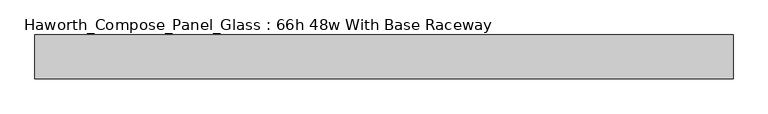
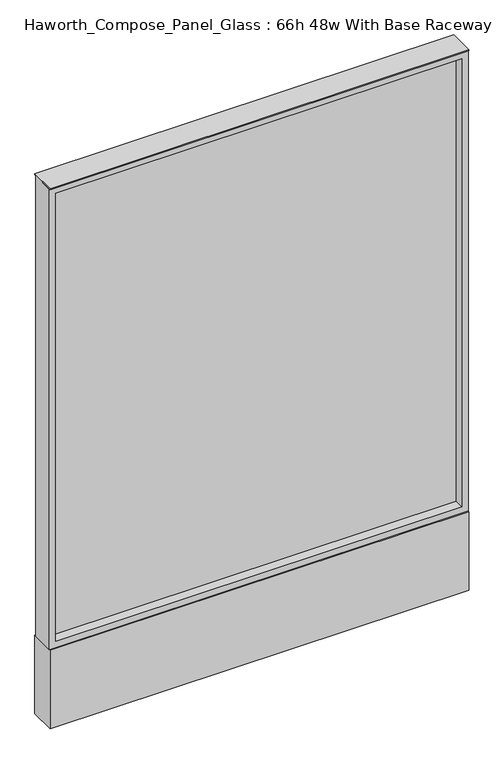
"""IFC4 building model written with IfcOpenShell, lengths in millimetres: furniture geometry, Haworth_Compose_Panel_Glass : 66h 48w With Base Raceway."""

import ifcopenshell
import ifcopenshell.guid

model = None  # the IFC model being written
_history = None  # IfcOwnerHistory: only IFC2X3 demands one
_inside = {}  # id of a spatial element -> (the spatial element, [elements in it])
_under = {}  # id of a project, library or spatial element -> (it, [spatial elements below it])
_declared = {}  # id of a project -> (the project, [libraries it declares])
_typed = {}  # id of a type object -> (the type object, [elements of that type])
_made_of = {}  # id of a material, layer set ... -> (it, [elements and type objects made of it])


def new_model(schema):
    """Start an empty IFC model of exactly this schema.

    Asked for "IFC4X3", IfcOpenShell would pick the latest addendum, in which some entities
    have other attributes; the version numbers below select the first issue.
    IFC2X3 requires an IfcOwnerHistory on every rooted entity: one is made here for all.
    """
    global model, _history
    if schema == "IFC4X3":
        model = ifcopenshell.file(schema_version=(4, 3, 0, 0))
    else:
        model = ifcopenshell.file(schema=schema)
    _inside.clear()
    _under.clear()
    _declared.clear()
    _typed.clear()
    _made_of.clear()
    _history = None
    if model.schema == "IFC2X3":
        org = make("IfcOrganization", Name="unknown")
        user = make(
            "IfcPersonAndOrganization",
            ThePerson=make("IfcPerson", FamilyName="unknown"),
            TheOrganization=org,
        )
        app = make(
            "IfcApplication",
            ApplicationDeveloper=org,
            Version="unknown",
            ApplicationFullName="unknown",
            ApplicationIdentifier="unknown",
        )
        _history = make(
            "IfcOwnerHistory",
            OwningUser=user,
            OwningApplication=app,
            ChangeAction="ADDED",
            CreationDate=0,
        )
    return model


def make(cls, **values):
    """One entity of the class cls with the attributes given. An attribute that is None is left unset."""
    return model.create_entity(
        cls, **{name: value for name, value in values.items() if value is not None}
    )


def rooted(cls, **values):
    """An entity with a GlobalId (a new one), such as an element, a storey or a relation."""
    return make(cls, GlobalId=ifcopenshell.guid.new(), OwnerHistory=_history, **values)


def si_unit(unit_type, name, prefix=None):
    """IfcSIUnit, for example si_unit("LENGTHUNIT", "METRE", prefix="MILLI")."""
    return make("IfcSIUnit", UnitType=unit_type, Prefix=prefix, Name=name)


def assignment(units):
    """IfcUnitAssignment: the units of a project."""
    return None if units is None else make("IfcUnitAssignment", Units=units)


def point(xyz):
    """IfcCartesianPoint."""
    return None if xyz is None else make("IfcCartesianPoint", Coordinates=xyz)


def direction(xyz):
    """IfcDirection."""
    return None if xyz is None else make("IfcDirection", DirectionRatios=xyz)


def frame(location, z_axis=None, x_axis=None):
    """IfcAxis2Placement3D, a coordinate frame: its origin and axes. An axis left out is left unset."""
    return make(
        "IfcAxis2Placement3D",
        Location=point(location),
        Axis=direction(z_axis),
        RefDirection=direction(x_axis),
    )


def frame_2d(location, x_axis=None):
    """IfcAxis2Placement2D, a coordinate frame in the plane: its origin and x axis."""
    return make(
        "IfcAxis2Placement2D", Location=point(location), RefDirection=direction(x_axis)
    )


def origin():
    """The frame at (0, 0, 0) with its axes left unset."""
    return frame((0.0, 0.0, 0.0))


def origin_with_axes():
    """The frame at (0, 0, 0) with the z axis (0, 0, 1) and the x axis (1, 0, 0) written out."""
    return frame((0.0, 0.0, 0.0), z_axis=(0.0, 0.0, 1.0), x_axis=(1.0, 0.0, 0.0))


def place(relative_to, where):
    """IfcLocalPlacement: puts the frame where relative to a parent placement (None: the world)."""
    return make(
        "IfcLocalPlacement", PlacementRelTo=relative_to, RelativePlacement=where
    )


def context(
    kind, dimensions, precision=None, world=None, true_north=None, identifier=None
):
    """IfcGeometricRepresentationContext, for example the 3D "Model" context."""
    return make(
        "IfcGeometricRepresentationContext",
        ContextIdentifier=identifier,
        ContextType=kind,
        CoordinateSpaceDimension=dimensions,
        Precision=precision,
        WorldCoordinateSystem=world,
        TrueNorth=true_north,
    )


def project(units=None, contexts=None):
    """IfcProject with its units and contexts."""
    return rooted(
        "IfcProject",
        Name="project",
        RepresentationContexts=contexts,
        UnitsInContext=assignment(units),
    )


def spatial(cls, under=None, at=None, **own):
    """A site, building, storey or space (cls), placed at a placement, below another one or the project."""
    s = rooted(cls, ObjectPlacement=at, **own)
    if under is not None:
        _under.setdefault(under.id(), (under, []))[1].append(s)
    return s


def polyline(points):
    """IfcPolyline through the points."""
    return make("IfcPolyline", Points=[point(p) for p in points])


def circle_curve(where, radius):
    """IfcCircle in the frame where."""
    return make("IfcCircle", Position=where, Radius=radius)


def trimmed(basis, trim1, trim2, sense, master):
    """IfcTrimmedCurve: the piece of a basis curve between two trims."""
    return make(
        "IfcTrimmedCurve",
        BasisCurve=basis,
        Trim1=trim1,
        Trim2=trim2,
        SenseAgreement=sense,
        MasterRepresentation=master,
    )


def segment(curve, same_sense, transition):
    """IfcCompositeCurveSegment."""
    return make(
        "IfcCompositeCurveSegment",
        Transition=transition,
        SameSense=same_sense,
        ParentCurve=curve,
    )


def composite_curve(segments, self_intersect=None):
    """IfcCompositeCurve: segments joined end to end."""
    return make("IfcCompositeCurve", Segments=segments, SelfIntersect=self_intersect)


def outline(outer, holes=None, kind="AREA"):
    """IfcArbitraryClosedProfileDef: a profile drawn as a closed curve; with holes, ...WithVoids."""
    if holes is None:
        return make("IfcArbitraryClosedProfileDef", ProfileType=kind, OuterCurve=outer)
    return make(
        "IfcArbitraryProfileDefWithVoids",
        ProfileType=kind,
        OuterCurve=outer,
        InnerCurves=holes,
    )


def extrude(swept, where, along, depth):
    """IfcExtrudedAreaSolid: the profile swept, set in the frame where, extruded along a direction by depth."""
    return make(
        "IfcExtrudedAreaSolid",
        SweptArea=swept,
        Position=where,
        ExtrudedDirection=direction(along),
        Depth=depth,
    )


def shape(context_of_items, identifier, shape_type, items):
    """IfcShapeRepresentation: the items that make up one representation, for example the "Body"."""
    return make(
        "IfcShapeRepresentation",
        ContextOfItems=context_of_items,
        RepresentationIdentifier=identifier,
        RepresentationType=shape_type,
        Items=items,
    )


def source(mapping_origin, context_of_items, identifier, shape_type, items):
    """IfcRepresentationMap: a shape defined once, which mapped items show again and again."""
    return make(
        "IfcRepresentationMap",
        MappingOrigin=mapping_origin,
        MappedRepresentation=shape(context_of_items, identifier, shape_type, items),
    )


def transform(
    local_origin,
    x_axis=None,
    y_axis=None,
    z_axis=None,
    scale=None,
    scale2=None,
    scale3=None,
    uniform=True,
):
    """IfcCartesianTransformationOperator3D, or its non-uniform kind. x_axis, y_axis, z_axis: its Axis1, 2, 3."""
    if uniform:
        return make(
            "IfcCartesianTransformationOperator3D",
            Axis1=direction(x_axis),
            Axis2=direction(y_axis),
            LocalOrigin=point(local_origin),
            Scale=scale,
            Axis3=direction(z_axis),
        )
    return make(
        "IfcCartesianTransformationOperator3DnonUniform",
        Axis1=direction(x_axis),
        Axis2=direction(y_axis),
        LocalOrigin=point(local_origin),
        Scale=scale,
        Axis3=direction(z_axis),
        Scale2=scale2,
        Scale3=scale3,
    )


def mapped(mapping_source, mapping_target):
    """IfcMappedItem: shows the shape of a source again, moved by a transform."""
    return make(
        "IfcMappedItem", MappingSource=mapping_source, MappingTarget=mapping_target
    )


def made_of(thing, what):
    """Note that an element or type object is made of a material, layer set ...; save() writes the relation."""
    if what is not None:
        _made_of.setdefault(what.id(), (what, []))[1].append(thing)
    return thing


def element(
    cls,
    number,
    at=None,
    inside=None,
    cuts=None,
    type_object=None,
    material=None,
    context=None,
    identifier="Body",
    shape_type=None,
    held_by="IfcProductDefinitionShape",
    body=None,
    shapes=None,
    **own,
):
    """One element of the class cls, such as IfcWall. Its Tag is "e" and its number.

    at: its placement. inside: the storey or other place that contains it. cuts: it is an
    opening in that element (IfcRelVoidsElement). A single representation is given by context,
    identifier, shape_type and body (its items); several are given by shapes. held_by: the class
    of the entity that holds the representations. save() writes the other relations.
    """
    e = rooted(cls, Tag="e%d" % number, ObjectPlacement=at, **own)
    if body is not None:
        shapes = [shape(context, identifier, shape_type, body)]
    if shapes is not None:
        e.Representation = make(held_by, Representations=shapes)
    if inside is not None:
        _inside.setdefault(inside.id(), (inside, []))[1].append(e)
    if cuts is not None:
        rooted(
            "IfcRelVoidsElement", RelatingBuildingElement=cuts, RelatedOpeningElement=e
        )
    if type_object is not None:
        _typed.setdefault(type_object.id(), (type_object, []))[1].append(e)
    return made_of(e, material)


def aggregate(whole, parts):
    """IfcRelAggregates: a whole, such as a stair, and the parts it consists of."""
    return rooted("IfcRelAggregates", RelatingObject=whole, RelatedObjects=parts)


def save(model, path):
    """Write the relations noted so far, then the file.

    IfcRelAggregates (storeys below a building ...), IfcRelContainedInSpatialStructure (elements
    in a storey), IfcRelDefinesByType, IfcRelAssociatesMaterial and IfcRelDeclares: one each for
    every whole, place, type object, material and project.
    """
    for whole, parts in _under.values():
        aggregate(whole, parts)
    for where, things in _inside.values():
        rooted(
            "IfcRelContainedInSpatialStructure",
            RelatedElements=things,
            RelatingStructure=where,
        )
    for kind, things in _typed.values():
        rooted("IfcRelDefinesByType", RelatedObjects=things, RelatingType=kind)
    for what, things in _made_of.values():
        rooted("IfcRelAssociatesMaterial", RelatedObjects=things, RelatingMaterial=what)
    for by, libraries in _declared.values():
        rooted("IfcRelDeclares", RelatingContext=by, RelatedDefinitions=libraries)
    model.write(path)


def haworth_compose_panel_glass_66h_48w_with_base_raceway_2a01eb16(model_context):
    return source(origin(), model_context, "Body", "SweptSolid", [
        extrude(outline(composite_curve([segment(trimmed(circle_curve(frame_2d((535.8402902, 0.0)), 12.7), [point((523.1402902, 0.0))], [point((548.5402902, 0.0))], False, "CARTESIAN"), True, "CONTINUOUS"), segment(trimmed(circle_curve(frame_2d((535.8402902, 0.0)), 12.7), [point((548.5402902, 0.0))], [point((523.1402902, 0.0))], False, "CARTESIAN"), True, "CONTINUOUS")], self_intersect=False)), origin_with_axes(), (0.0, 0.0, 1.0), 12.7),
        extrude(outline(composite_curve([segment(trimmed(circle_curve(frame_2d((-530.9597098, 0.0)), 12.7), [point((-543.6597098, 0.0))], [point((-518.2597098, 0.0))], False, "CARTESIAN"), True, "CONTINUOUS"), segment(trimmed(circle_curve(frame_2d((-530.9597098, 0.0)), 12.7), [point((-518.2597098, 0.0))], [point((-543.6597098, 0.0))], False, "CARTESIAN"), True, "CONTINUOUS")], self_intersect=False)), origin_with_axes(), (0.0, 0.0, 1.0), 12.7),
        extrude(outline(polyline([(592.9902902, -6.35), (-588.1097098, -6.35), (-588.1097098, 6.35), (592.9902902, 6.35), (592.9902902, -6.35)])), frame((0.0, 0.0, 273.05), z_axis=(0.0, 0.0, 1.0), x_axis=(1.0, 0.0, 0.0)), (0.0, 0.0, 1.0), 1377.95),
        extrude(outline(polyline([(1670.05, -607.1597098), (254.0, -607.1597098), (254.0, 612.0402902), (1670.05, 612.0402902), (1670.05, -607.1597098)]), holes=[polyline([(1651.0, 592.9902902), (273.05, 592.9902902), (273.05, -588.1097098), (1651.0, -588.1097098), (1651.0, 592.9902902)])]), frame((0.0, -34.925, 0.0), z_axis=(0.0, 1.0, 0.0), x_axis=(0.0, 0.0, 1.0)), (0.0, 0.0, 1.0), 69.85),
        extrude(outline(polyline([(-607.1597098, 38.1), (612.0402902, 38.1), (612.0402902, -38.1), (-607.1597098, -38.1), (-607.1597098, 38.1)])), frame((0.0, 0.0, 12.7), z_axis=(0.0, 0.0, 1.0), x_axis=(1.0, 0.0, 0.0)), (0.0, 0.0, 1.0), 241.3),
        extrude(outline(polyline([(-607.1597098, -38.1), (-607.1597098, 38.1), (612.0402902, 38.1), (612.0402902, -38.1), (-607.1597098, -38.1)])), frame((0.0, 0.0, 1670.05), z_axis=(0.0, 0.0, 1.0), x_axis=(1.0, 0.0, 0.0)), (0.0, 0.0, 1.0), 3.175),
    ])


if __name__ == "__main__":
    model = new_model("IFC4")
    model_context = context("Model", 3, world=origin())
    ifc_project = project(units=[si_unit("LENGTHUNIT", "METRE", prefix="MILLI")], contexts=[model_context])
    site = spatial("IfcSite", under=ifc_project)
    building = spatial("IfcBuilding", under=site)
    placement = place(None, origin())
    haworth_compose_panel_glass_66h_48w_with_base_raceway_shape = haworth_compose_panel_glass_66h_48w_with_base_raceway_2a01eb16(model_context)
    element("IfcFurniture", 1, ObjectType="Haworth_Compose_Panel_Glass : 66h 48w With Base Raceway", at=placement, inside=building, context=model_context, shape_type="MappedRepresentation", body=[
        mapped(haworth_compose_panel_glass_66h_48w_with_base_raceway_shape, transform((0.0, 0.0, 0.0), x_axis=(1.0, 0.0, 0.0), y_axis=(0.0, 1.0, 0.0), z_axis=(0.0, 0.0, 1.0))),
    ])
    save(model, "model.ifc")
